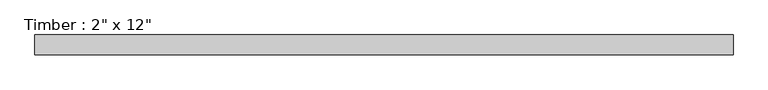
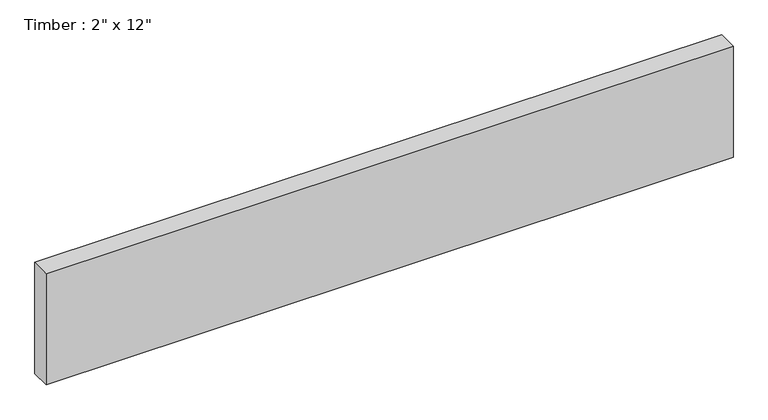
"""IFC4 building model written with IfcOpenShell, lengths in millimetres: beam geometry."""

from ifc_helpers import new_model, si_unit, frame, origin, place, context, project, spatial, polyline, outline, extrude, source, transform, mapped, element, save


def beam_69de7249(model_context):
    return source(origin(), model_context, "Body", "SweptSolid", [
        extrude(outline(polyline([(903.2875, 25.4), (903.2875, -25.4), (-877.8875, -25.4), (-877.8875, 25.4), (903.2875, 25.4)])), frame((0.0, 0.0, -152.4), z_axis=(0.0, 0.0, 1.0), x_axis=(1.0, 0.0, 0.0)), (0.0, 0.0, 1.0), 304.8),
    ])


if __name__ == "__main__":
    model = new_model("IFC4")
    model_context = context("Model", 3, world=origin())
    ifc_project = project(units=[si_unit("LENGTHUNIT", "METRE", prefix="MILLI")], contexts=[model_context])
    site = spatial("IfcSite", under=ifc_project)
    building = spatial("IfcBuilding", under=site)
    placement = place(None, origin())
    beam_shape = beam_69de7249(model_context)
    element("IfcBeam", 1, ObjectType="Timber : 2\" x 12\"", at=placement, inside=building, context=model_context, shape_type="MappedRepresentation", body=[
        mapped(beam_shape, transform((0.0, 0.0, 0.0), x_axis=(1.0, 0.0, 0.0), y_axis=(0.0, 1.0, 0.0), z_axis=(0.0, 0.0, 1.0))),
    ])
    save(model, "model.ifc")
